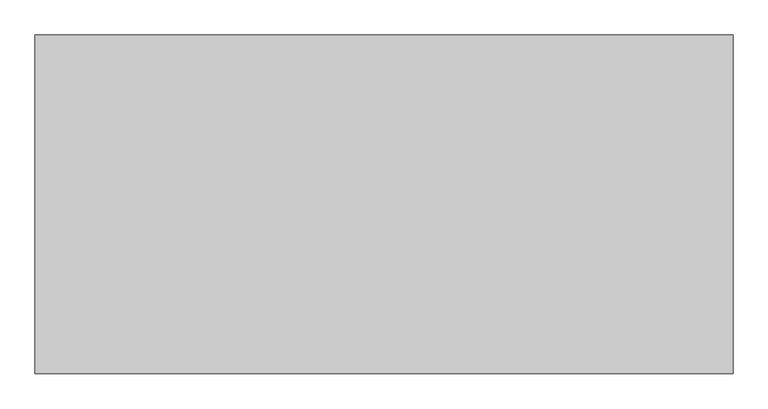
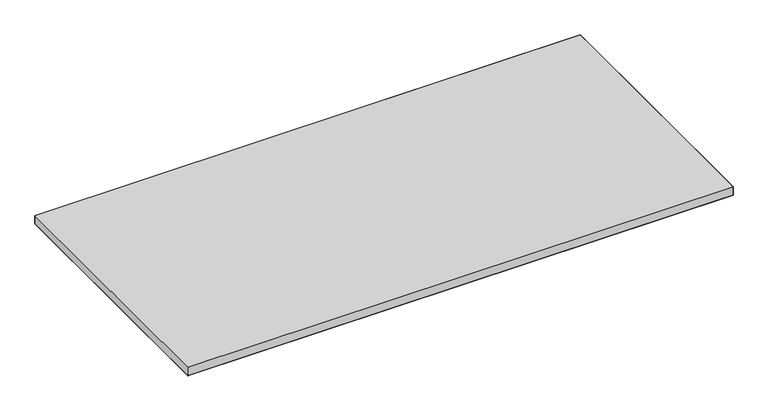
"""IFC4 building model written with IfcOpenShell, lengths in millimetres: furniture geometry."""

from ifc_helpers import new_model, si_unit, origin, place, context, project, spatial, triangles, source, transform, mapped, element, save


def furniture_1d3b6d0d(model_context):
    return source(origin(), model_context, "Body", "Tessellation", [
        triangles([(1827.2759651, -1.524, 725.4240349), (1.524, -1.524, 725.4240349), (1.524, -887.4759893, 725.4240349), (1827.2759651, -887.4759893, 725.4240349), (1827.2759651, -1.524, 695.8330359), (1827.2759651, -887.4759893, 695.8330359), (1.524, -887.4759893, 695.8330359), (1.524, -1.524, 695.8330359)], [[1, 2, 3], [1, 3, 4], [5, 6, 7], [5, 7, 8]], closed=False),
        triangles([(1.524, -1.524, 725.4240349), (1827.2759651, -1.524, 725.4240349), (1827.2759651, -1.524, 695.8330359), (1.524, -1.524, 695.8330359), (1.524, -887.4759893, 695.8330359), (1.524, -887.4759893, 725.4240349), (1827.2759651, -887.4759893, 725.4240349), (1827.2759651, -887.4759893, 695.8330359)], [[1, 2, 3], [1, 3, 4], [5, 6, 1], [5, 1, 4], [2, 7, 8], [2, 8, 3], [5, 8, 7], [5, 7, 6]], closed=False),
    ])


if __name__ == "__main__":
    model = new_model("IFC4")
    model_context = context("Model", 3, world=origin())
    ifc_project = project(units=[si_unit("LENGTHUNIT", "METRE", prefix="MILLI")], contexts=[model_context])
    site = spatial("IfcSite", under=ifc_project)
    building = spatial("IfcBuilding", under=site)
    placement = place(None, origin())
    furniture_shape = furniture_1d3b6d0d(model_context)
    element("IfcFurniture", 1, at=placement, inside=building, context=model_context, shape_type="MappedRepresentation", body=[
        mapped(furniture_shape, transform((0.0, 0.0, 0.0), x_axis=(1.0, 0.0, 0.0), y_axis=(0.0, 1.0, 0.0), z_axis=(0.0, 0.0, 1.0))),
    ])
    save(model, "model.ifc")
